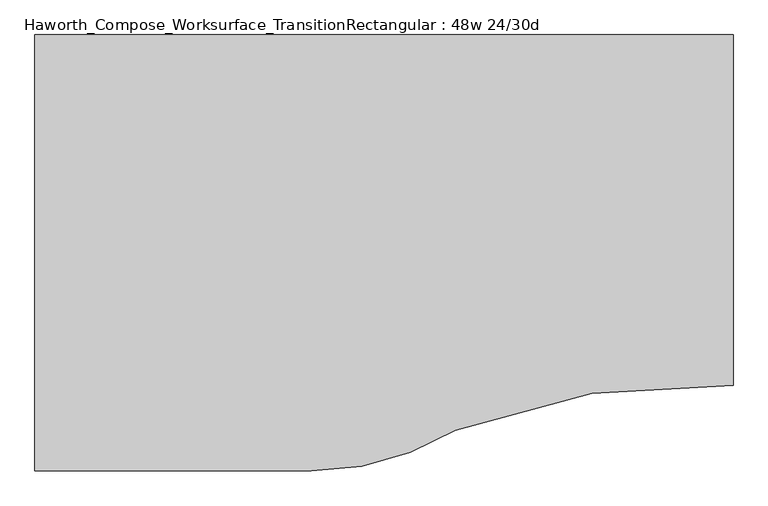
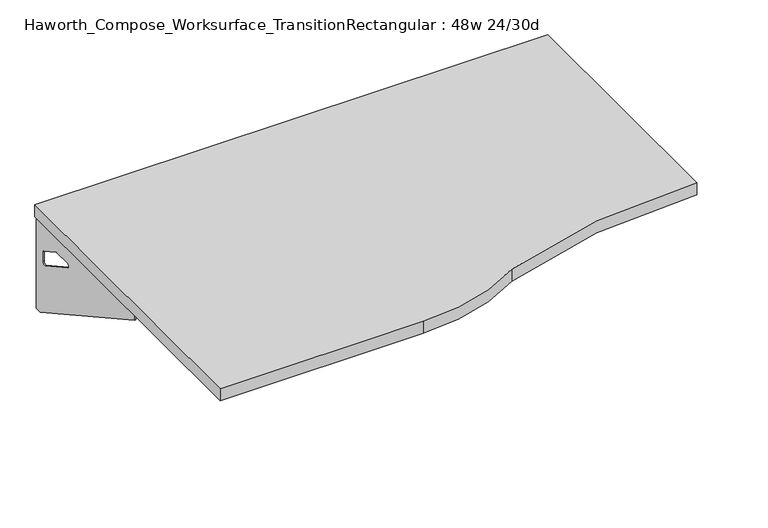
"""IFC4 building model written with IfcOpenShell, lengths in millimetres: furniture geometry, Haworth_Compose_Worksurface_TransitionRectangular : 48w 24/30d."""

from ifc_helpers import new_model, si_unit, point, frame, frame_2d, origin, place, context, project, spatial, polyline, circle_curve, trimmed, segment, composite_curve, outline, extrude, source, transform, mapped, element, save
from ifc_brep_helpers import plane_surface, revolved_surface, advanced_brep


def haworth_compose_worksurface_transitionrectangular_48w_24_30d_71944646(model_context):
    return source(origin(), model_context, "Body", "SolidModel", [
        advanced_brep(
        [(584.99375, 228.6, 475.45625), (584.99375, 212.725, 475.45625), (584.99375, -177.8, 691.7192568), (584.99375, -177.8, 704.05625), (584.99375, 212.725, 704.05625), (584.99375, 228.6, 704.05625), (584.99375, 145.290072, 665.95625), (584.99375, 101.6355284, 665.95625), (584.99375, 98.9564235, 656.3705539), (584.99375, 190.6776173, 605.5776439), (584.99375, 200.025, 611.1756969), (584.99375, 200.025, 634.6860246), (584.99375, 198.2730055, 637.5242776), (584.99375, 148.3663437, 665.1613425), (587.375, 228.6, 475.45625), (587.375, 228.6, 704.05625), (587.375, 212.725, 704.05625), (587.375, 212.725, 706.4375), (587.375, -177.8, 706.4375), (587.375, -177.8, 691.7192568), (587.375, 212.725, 475.45625), (587.375, 145.290072, 665.95625), (587.375, 148.3663437, 665.1613425), (587.375, 198.2730055, 637.5242776), (587.375, 200.025, 634.6860246), (587.375, 200.025, 611.1756969), (587.375, 190.6776173, 605.5776439), (587.375, 98.9564235, 656.3705539), (587.375, 101.6355284, 665.95625), (546.1, -177.8, 706.4375), (546.1, -177.8, 704.05625), (546.1, 212.725, 704.05625), (546.1, 212.725, 706.4375)],
        [
            (0, 1),
            (1, 2),
            (2, 3),
            (3, 4),
            (4, 5),
            (5, 0),
            (6, 7),
            (7, 8, circle_curve(frame((584.99375, 101.6355284, 660.7890106), z_axis=(1.0, 0.0, 0.0), x_axis=(0.0, -1.0, 0.0)), 5.1672394)),
            (8, 9),
            (9, 10, circle_curve(frame((584.99375, 193.675, 611.1756969), z_axis=(1.0, 0.0, 0.0), x_axis=(0.0, -1.0, 0.0)), 6.35)),
            (10, 11),
            (11, 12, circle_curve(frame((584.99375, 196.85, 634.6860246), z_axis=(1.0, 0.0, 0.0), x_axis=(0.0, -1.0, 0.0)), 3.175)),
            (12, 13),
            (13, 6, circle_curve(frame((584.99375, 145.290072, 659.60625), z_axis=(1.0, 0.0, 0.0), x_axis=(0.0, -1.0, 0.0)), 6.35)),
            (14, 15),
            (15, 16),
            (16, 17),
            (17, 18),
            (18, 19),
            (19, 20),
            (20, 14),
            (21, 22, circle_curve(frame((587.375, 145.290072, 659.60625), z_axis=(-1.0, 0.0, 0.0), x_axis=(0.0, -1.0, 0.0)), 6.35)),
            (22, 23),
            (23, 24, circle_curve(frame((587.375, 196.85, 634.6860246), z_axis=(-1.0, 0.0, 0.0), x_axis=(0.0, -1.0, 0.0)), 3.175)),
            (24, 25),
            (25, 26, circle_curve(frame((587.375, 193.675, 611.1756969), z_axis=(-1.0, 0.0, 0.0), x_axis=(0.0, -1.0, 0.0)), 6.35)),
            (26, 27),
            (27, 28, circle_curve(frame((587.375, 101.6355284, 660.7890106), z_axis=(-1.0, 0.0, 0.0), x_axis=(0.0, -1.0, 0.0)), 5.1672394)),
            (28, 21),
            (4, 16),
            (15, 5),
            (14, 0),
            (20, 1),
            (19, 2),
            (18, 29),
            (29, 30),
            (30, 3),
            (6, 21),
            (28, 7),
            (9, 26),
            (25, 10),
            (24, 11),
            (23, 12),
            (27, 8),
            (31, 4),
            (30, 31),
            (32, 29),
            (17, 32),
            (31, 32),
            (22, 13),
        ],
        [
            plane_surface(frame((584.99375, 228.6, 475.45625), z_axis=(-1.0, 0.0, 0.0), x_axis=(0.0, 1.0, 0.0))),
            plane_surface(frame((587.375, 228.6, 475.45625), z_axis=(1.0, 0.0, 0.0), x_axis=(0.0, -1.0, 0.0))),
            plane_surface(frame((587.375, -177.8, 704.05625), z_axis=(0.0, 0.0, 1.0), x_axis=(-1.0, 0.0, 0.0))),
            plane_surface(frame((587.375, 228.6, 704.05625), z_axis=(0.0, 1.0, 0.0), x_axis=(-1.0, 0.0, 0.0))),
            plane_surface(frame((587.375, 228.6, 475.45625), z_axis=(0.0, 0.0, -1.0), x_axis=(-1.0, 0.0, 0.0))),
            plane_surface(frame((587.375, 212.725, 475.45625), z_axis=(0.0, -0.48445223513455843, -0.8748177135112952), x_axis=(-1.0, 0.0, 0.0))),
            plane_surface(frame((587.375, -177.8, 691.7192568), z_axis=(0.0, -1.0, 0.0), x_axis=(-1.0, 0.0, 0.0))),
            plane_surface(frame((587.375, 145.290072, 665.95625), z_axis=(0.0, 0.0, -1.0), x_axis=(-1.0, 0.0, 0.0))),
            revolved_surface(polyline([(584.99375, 187.32500000000002, 611.1756969), (587.375, 187.32500000000002, 611.1756969)]), (587.375, 193.675, 611.1756969), (-1.0, 0.0, 0.0)),
            plane_surface(frame((587.375, 200.025, 611.1756969), z_axis=(0.0, -1.0, 0.0), x_axis=(-1.0, 0.0, 0.0))),
            revolved_surface(polyline([(584.99375, 193.67499999999998, 634.6860246), (587.375, 193.67499999999998, 634.6860246)]), (587.375, 196.85, 634.6860246), (-1.0, 0.0, 0.0)),
            revolved_surface(polyline([(584.99375, 96.468289, 660.7890106), (587.375, 96.468289, 660.7890106)]), (587.375, 101.6355284, 660.7890106), (-1.0, 0.0, 0.0)),
            plane_surface(frame((587.375, 212.725, 704.05625), z_axis=(0.0, 0.0, -1.0), x_axis=(-1.0, 0.0, 0.0))),
            plane_surface(frame((587.375, 212.725, 706.4375), z_axis=(0.0, 0.0, 1.0), x_axis=(1.0, 0.0, 0.0))),
            plane_surface(frame((546.1, 212.725, 706.4375), z_axis=(0.0, 1.0, 0.0), x_axis=(0.0, 0.0, -1.0))),
            plane_surface(frame((546.1, -177.8, 706.4375), z_axis=(-1.0, 0.0, 0.0), x_axis=(0.0, 0.0, -1.0))),
            plane_surface(frame((587.375, 98.9564235, 656.3705539), z_axis=(0.0, 0.4844522351345583, 0.8748177135112953), x_axis=(-1.0, 0.0, 0.0))),
            plane_surface(frame((587.375, 198.2730055, 637.5242776), z_axis=(0.0, -0.4844522351345582, -0.8748177135112953), x_axis=(-1.0, 0.0, 0.0))),
            revolved_surface(polyline([(584.99375, 138.94007200000001, 659.60625), (587.375, 138.94007200000001, 659.60625)]), (587.375, 145.290072, 659.60625), (-1.0, 0.0, 0.0)),
        ],
        [
            (0, [[1, 2, 3, 4, 5, 6], [7, 8, 9, 10, 11, 12, 13, 14]]),
            (1, [[15, 16, 17, 18, 19, 20, 21], [22, 23, 24, 25, 26, 27, 28, 29]]),
            (2, [[-5, 30, -16, 31]]),
            (3, [[-31, -15, 32, -6]]),
            (4, [[-32, -21, 33, -1]]),
            (5, [[-33, -20, 34, -2]]),
            (6, [[-34, -19, 35, 36, 37, -3]]),
            (7, [[38, -29, 39, -7]]),
            (8, [[40, -26, 41, -10]]),
            (9, [[-41, -25, 42, -11]]),
            (10, [[-42, -24, 43, -12]]),
            (11, [[-39, -28, 44, -8]]),
            (12, [[45, -4, -37, 46]]),
            (13, [[47, -35, -18, 48]]),
            (14, [[-17, -30, -45, 49, -48]]),
            (15, [[-36, -47, -49, -46]]),
            (16, [[-44, -27, -40, -9]]),
            (17, [[-43, -23, 50, -13]]),
            (18, [[-50, -22, -38, -14]]),
        ],
    ),
        advanced_brep(
        [(-623.09375, 228.6, 475.45625), (-623.09375, 228.6, 704.05625), (-623.09375, 212.725, 704.05625), (-623.09375, -177.8, 704.05625), (-623.09375, -177.8, 691.7192568), (-623.09375, 212.725, 475.45625), (-623.09375, 145.290072, 665.95625), (-623.09375, 148.3663437, 665.1613425), (-623.09375, 198.2730055, 637.5242776), (-623.09375, 200.025, 634.6860246), (-623.09375, 200.025, 611.1756969), (-623.09375, 190.6776173, 605.5776439), (-623.09375, 98.9564235, 656.3705539), (-623.09375, 101.6355284, 665.95625), (-625.475, 228.6, 475.45625), (-625.475, 212.725, 475.45625), (-625.475, -177.8, 691.7192568), (-625.475, -177.8, 706.4375), (-625.475, 212.725, 706.4375), (-625.475, 212.725, 704.05625), (-625.475, 228.6, 704.05625), (-625.475, 145.290072, 665.95625), (-625.475, 101.6355284, 665.95625), (-625.475, 98.9564235, 656.3705539), (-625.475, 190.6776173, 605.5776439), (-625.475, 200.025, 611.1756969), (-625.475, 200.025, 634.6860246), (-625.475, 198.2730055, 637.5242776), (-625.475, 148.3663437, 665.1613425), (-584.2, -177.8, 704.05625), (-584.2, -177.8, 706.4375), (-584.2, 212.725, 704.05625), (-584.2, 212.725, 706.4375)],
        [
            (0, 1),
            (1, 2),
            (2, 3),
            (3, 4),
            (4, 5),
            (5, 0),
            (6, 7, circle_curve(frame((-623.09375, 145.290072, 659.60625), z_axis=(-1.0, 0.0, 0.0), x_axis=(0.0, -1.0, 0.0)), 6.35)),
            (7, 8),
            (8, 9, circle_curve(frame((-623.09375, 196.85, 634.6860246), z_axis=(-1.0, 0.0, 0.0), x_axis=(0.0, -1.0, 0.0)), 3.175)),
            (9, 10),
            (10, 11, circle_curve(frame((-623.09375, 193.675, 611.1756969), z_axis=(-1.0, 0.0, 0.0), x_axis=(0.0, -1.0, 0.0)), 6.35)),
            (11, 12),
            (12, 13, circle_curve(frame((-623.09375, 101.6355284, 660.7890106), z_axis=(-1.0, 0.0, 0.0), x_axis=(0.0, -1.0, 0.0)), 5.1672394)),
            (13, 6),
            (14, 15),
            (15, 16),
            (16, 17),
            (17, 18),
            (18, 19),
            (19, 20),
            (20, 14),
            (21, 22),
            (22, 23, circle_curve(frame((-625.475, 101.6355284, 660.7890106), z_axis=(1.0, 0.0, 0.0), x_axis=(0.0, -1.0, 0.0)), 5.1672394)),
            (23, 24),
            (24, 25, circle_curve(frame((-625.475, 193.675, 611.1756969), z_axis=(1.0, 0.0, 0.0), x_axis=(0.0, -1.0, 0.0)), 6.35)),
            (25, 26),
            (26, 27, circle_curve(frame((-625.475, 196.85, 634.6860246), z_axis=(1.0, 0.0, 0.0), x_axis=(0.0, -1.0, 0.0)), 3.175)),
            (27, 28),
            (28, 21, circle_curve(frame((-625.475, 145.290072, 659.60625), z_axis=(1.0, 0.0, 0.0), x_axis=(0.0, -1.0, 0.0)), 6.35)),
            (1, 20),
            (19, 2),
            (0, 14),
            (5, 15),
            (4, 16),
            (3, 29),
            (29, 30),
            (30, 17),
            (13, 22),
            (21, 6),
            (10, 25),
            (24, 11),
            (9, 26),
            (8, 27),
            (12, 23),
            (31, 29),
            (2, 31),
            (32, 18),
            (30, 32),
            (32, 31),
            (7, 28),
        ],
        [
            plane_surface(frame((-623.09375, 228.6, 475.45625), z_axis=(1.0, 0.0, 0.0), x_axis=(0.0, 1.0, 0.0))),
            plane_surface(frame((-625.475, 228.6, 475.45625), z_axis=(-1.0, 0.0, 0.0), x_axis=(0.0, -1.0, 0.0))),
            plane_surface(frame((-625.475, -177.8, 704.05625), z_axis=(0.0, 0.0, 1.0), x_axis=(1.0, 0.0, 0.0))),
            plane_surface(frame((-625.475, 228.6, 704.05625), z_axis=(0.0, 1.0, 0.0), x_axis=(1.0, 0.0, 0.0))),
            plane_surface(frame((-625.475, 228.6, 475.45625), z_axis=(0.0, 0.0, -1.0), x_axis=(1.0, 0.0, 0.0))),
            plane_surface(frame((-625.475, 212.725, 475.45625), z_axis=(0.0, -0.48445223513455843, -0.8748177135112952), x_axis=(1.0, 0.0, 0.0))),
            plane_surface(frame((-625.475, -177.8, 691.7192568), z_axis=(0.0, -1.0, 0.0), x_axis=(1.0, 0.0, 0.0))),
            plane_surface(frame((-625.475, 145.290072, 665.95625), z_axis=(0.0, 0.0, -1.0), x_axis=(1.0, 0.0, 0.0))),
            revolved_surface(polyline([(-623.09375, 187.32500000000002, 611.1756969), (-625.475, 187.32500000000002, 611.1756969)]), (-625.475, 193.675, 611.1756969), (1.0, 0.0, 0.0)),
            plane_surface(frame((-625.475, 200.025, 611.1756969), z_axis=(0.0, -1.0, 0.0), x_axis=(1.0, 0.0, 0.0))),
            revolved_surface(polyline([(-623.09375, 193.67499999999998, 634.6860246), (-625.475, 193.67499999999998, 634.6860246)]), (-625.475, 196.85, 634.6860246), (1.0, 0.0, 0.0)),
            revolved_surface(polyline([(-623.09375, 96.468289, 660.7890106), (-625.475, 96.468289, 660.7890106)]), (-625.475, 101.6355284, 660.7890106), (1.0, 0.0, 0.0)),
            plane_surface(frame((-625.475, 212.725, 704.05625), z_axis=(0.0, 0.0, -1.0), x_axis=(1.0, 0.0, 0.0))),
            plane_surface(frame((-625.475, 212.725, 706.4375), z_axis=(0.0, 0.0, 1.0), x_axis=(-1.0, 0.0, 0.0))),
            plane_surface(frame((-584.2, 212.725, 706.4375), z_axis=(0.0, 1.0, 0.0), x_axis=(0.0, 0.0, -1.0))),
            plane_surface(frame((-584.2, -177.8, 706.4375), z_axis=(1.0, 0.0, 0.0), x_axis=(0.0, 0.0, -1.0))),
            plane_surface(frame((-625.475, 98.9564235, 656.3705539), z_axis=(0.0, 0.4844522351345583, 0.8748177135112953), x_axis=(1.0, 0.0, 0.0))),
            plane_surface(frame((-625.475, 198.2730055, 637.5242776), z_axis=(0.0, -0.4844522351345582, -0.8748177135112953), x_axis=(1.0, 0.0, 0.0))),
            revolved_surface(polyline([(-623.09375, 138.94007200000001, 659.60625), (-625.475, 138.94007200000001, 659.60625)]), (-625.475, 145.290072, 659.60625), (1.0, 0.0, 0.0)),
        ],
        [
            (0, [[1, 2, 3, 4, 5, 6], [7, 8, 9, 10, 11, 12, 13, 14]]),
            (1, [[15, 16, 17, 18, 19, 20, 21], [22, 23, 24, 25, 26, 27, 28, 29]]),
            (2, [[30, -20, 31, -2]]),
            (3, [[-1, 32, -21, -30]]),
            (4, [[-6, 33, -15, -32]]),
            (5, [[-5, 34, -16, -33]]),
            (6, [[-4, 35, 36, 37, -17, -34]]),
            (7, [[-14, 38, -22, 39]]),
            (8, [[-11, 40, -25, 41]]),
            (9, [[-10, 42, -26, -40]]),
            (10, [[-9, 43, -27, -42]]),
            (11, [[-13, 44, -23, -38]]),
            (12, [[45, -35, -3, 46]]),
            (13, [[47, -18, -37, 48]]),
            (14, [[-47, 49, -46, -31, -19]]),
            (15, [[-45, -49, -48, -36]]),
            (16, [[-12, -41, -24, -44]]),
            (17, [[-8, 50, -28, -43]]),
            (18, [[-7, -39, -29, -50]]),
        ],
    ),
        extrude(outline(composite_curve([segment(trimmed(circle_curve(frame_2d((539.7932653, -1601.8064208)), 1219.2), [point((590.55, -383.6634103))], [point((105.7318841, -462.4911188))], True, "CARTESIAN"), True, "CONTINUOUS"), segment(trimmed(circle_curve(frame_2d((-146.0878584, -50.8)), 482.6), [point((105.7318841, -462.4911188))], [point((-146.0878584, -533.4))], False, "CARTESIAN"), True, "CONTINUOUS"), segment(polyline([(-146.0878584, -533.4), (-628.65, -533.4), (-628.65, 228.6), (590.55, 228.6), (590.55, -383.6634103)]), True, "CONTINUOUS")], self_intersect=False)), frame((0.0, 0.0, 706.4375), z_axis=(0.0, 0.0, 1.0), x_axis=(1.0, 0.0, 0.0)), (0.0, 0.0, 1.0), 30.1625),
    ])


if __name__ == "__main__":
    model = new_model("IFC4")
    model_context = context("Model", 3, world=origin())
    ifc_project = project(units=[si_unit("LENGTHUNIT", "METRE", prefix="MILLI")], contexts=[model_context])
    site = spatial("IfcSite", under=ifc_project)
    building = spatial("IfcBuilding", under=site)
    placement = place(None, origin())
    haworth_compose_worksurface_transitionrectangular_48w_24_30d_shape = haworth_compose_worksurface_transitionrectangular_48w_24_30d_71944646(model_context)
    element("IfcFurniture", 1, ObjectType="Haworth_Compose_Worksurface_TransitionRectangular : 48w 24/30d", at=placement, inside=building, context=model_context, shape_type="MappedRepresentation", body=[
        mapped(haworth_compose_worksurface_transitionrectangular_48w_24_30d_shape, transform((0.0, 0.0, 0.0), x_axis=(1.0, 0.0, 0.0), y_axis=(0.0, 1.0, 0.0), z_axis=(0.0, 0.0, 1.0))),
    ])
    save(model, "model.ifc")
